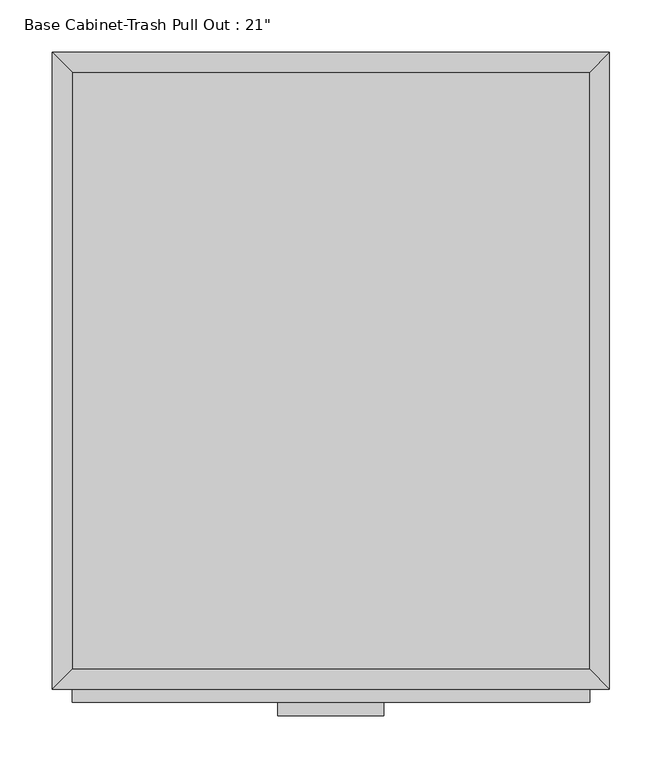
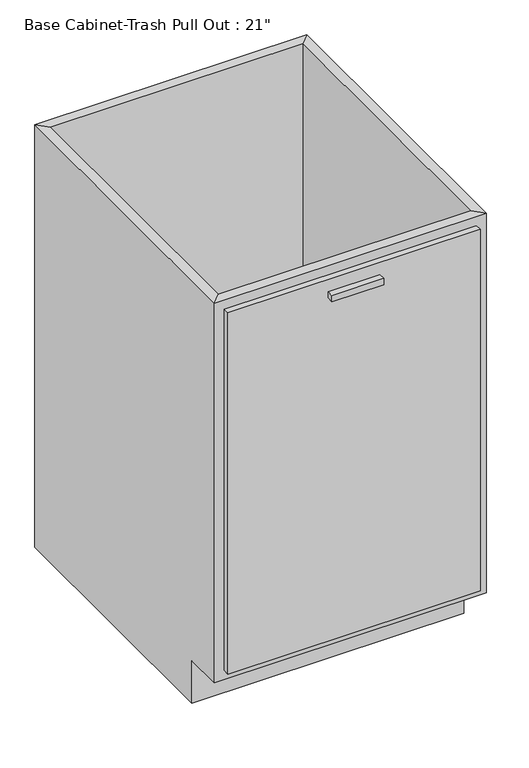
"""IFC4 building model written with IfcOpenShell, lengths in millimetres: furniture geometry."""

from ifc_helpers import new_model, si_unit, frame, origin, place, context, project, spatial, polyline, outline, extrude, faceted_brep, source, transform, mapped, element, save


def furniture_b4d9412c(model_context):
    return source(origin(), model_context, "Body", "SolidModel", [
        faceted_brep([(266.3877049, -590.55, 876.3), (266.3877049, -590.55, 88.9), (-228.9122951, -590.55, 88.9), (-228.9122951, -590.55, 876.3), (-247.9622951, -609.6, 876.3), (285.4377049, -609.6, 876.3), (-247.9622951, -609.6, 88.9), (285.4377049, -609.6, 88.9), (-228.9122951, -533.4, 88.9), (-228.9122951, -19.05, 88.9), (-228.9122951, -19.05, 876.3), (-247.9622951, 0.0, 876.3), (-247.9622951, 0.0, 0.0), (-247.9622951, -533.4, 0.0), (-247.9622951, -533.4, 88.9), (266.3877049, -19.05, 88.9), (266.3877049, -19.05, 876.3), (285.4377049, 0.0, 876.3), (285.4377049, 0.0, 0.0), (266.3877049, -533.4, 88.9), (285.4377049, -533.4, 88.9), (285.4377049, -533.4, 0.0)], [[[0, 1, 2, 3]], [[0, 3, 4, 5]], [[5, 4, 6, 7]], [[2, 1, 7, 6]], [[3, 2, 8, 9, 10]], [[4, 3, 10, 11]], [[6, 4, 11, 12, 13, 14]], [[2, 6, 14, 8]], [[10, 9, 15, 16]], [[11, 10, 16, 17]], [[12, 11, 17, 18]], [[1, 0, 16, 15, 19]], [[0, 5, 17, 16]], [[5, 7, 20, 21, 18, 17]], [[7, 1, 19, 20]], [[8, 19, 15, 9]], [[18, 21, 13, 12]], [[13, 21, 20, 19, 8, 14]]]),
        extrude(outline(polyline([(69.5377049, -635.0), (-32.0622951, -635.0), (-32.0622951, -622.3), (69.5377049, -622.3), (69.5377049, -635.0)])), frame((0.0, 0.0, 819.15), z_axis=(0.0, 0.0, 1.0), x_axis=(1.0, 0.0, 0.0)), (0.0, 0.0, 1.0), 12.7),
        extrude(outline(polyline([(266.3877049, -622.3), (-228.9122951, -622.3), (-228.9122951, -609.6), (266.3877049, -609.6), (266.3877049, -622.3)])), frame((0.0, 0.0, 107.95), z_axis=(0.0, 0.0, 1.0), x_axis=(1.0, 0.0, 0.0)), (0.0, 0.0, 1.0), 749.3),
        extrude(outline(polyline([(266.3877049, -19.05), (266.3877049, -590.55), (-228.9122951, -590.55), (-228.9122951, -19.05), (266.3877049, -19.05)])), frame((0.0, 0.0, 88.9), z_axis=(0.0, 0.0, 1.0), x_axis=(1.0, 0.0, 0.0)), (0.0, 0.0, 1.0), 19.05),
    ])


if __name__ == "__main__":
    model = new_model("IFC4")
    model_context = context("Model", 3, world=origin())
    ifc_project = project(units=[si_unit("LENGTHUNIT", "METRE", prefix="MILLI")], contexts=[model_context])
    site = spatial("IfcSite", under=ifc_project)
    building = spatial("IfcBuilding", under=site)
    placement = place(None, origin())
    furniture_shape = furniture_b4d9412c(model_context)
    element("IfcFurniture", 1, ObjectType="Base Cabinet-Trash Pull Out : 21\"", at=placement, inside=building, context=model_context, shape_type="MappedRepresentation", body=[
        mapped(furniture_shape, transform((0.0, 0.0, 0.0), x_axis=(1.0, 0.0, 0.0), y_axis=(0.0, 1.0, 0.0), z_axis=(0.0, 0.0, 1.0))),
    ])
    save(model, "model.ifc")
